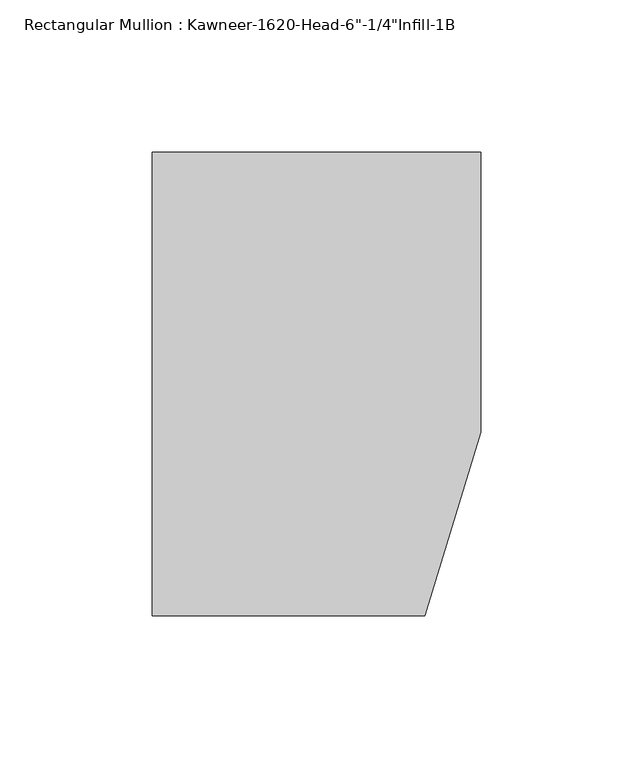
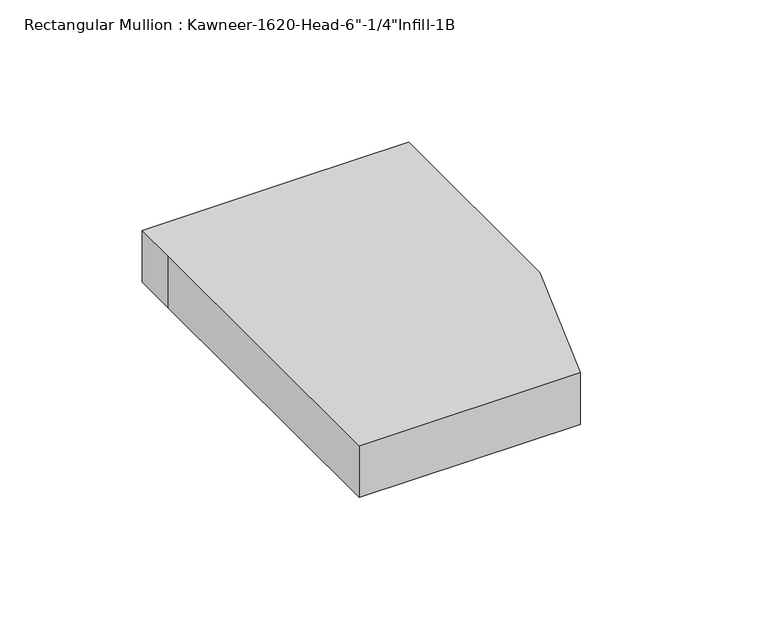
"""IFC4 building model written with IfcOpenShell, lengths in millimetres: member geometry."""

from ifc_helpers import new_model, si_unit, frame, origin, place, context, project, spatial, polyline, outline, extrude, source, transform, mapped, element, save


def member_8d436555(model_context):
    return source(origin(), model_context, "Body", "SweptSolid", [
        extrude(outline(polyline([(-107.95, 10.3845466), (-107.95, 28.575), (-44.1519366, 28.575), (0.0, 28.575), (0.0, -63.5), (-18.3538271, -123.825), (-107.95, -123.825), (-107.95, 10.3845466)])), frame((0.0, 0.0, -22.225), z_axis=(0.0, 0.0, 1.0), x_axis=(1.0, 0.0, 0.0)), (0.0, 0.0, 1.0), 22.225),
    ])


if __name__ == "__main__":
    model = new_model("IFC4")
    model_context = context("Model", 3, world=origin())
    ifc_project = project(units=[si_unit("LENGTHUNIT", "METRE", prefix="MILLI")], contexts=[model_context])
    site = spatial("IfcSite", under=ifc_project)
    building = spatial("IfcBuilding", under=site)
    placement = place(None, origin())
    member_shape = member_8d436555(model_context)
    element("IfcMember", 1, ObjectType="Rectangular Mullion : Kawneer-1620-Head-6\"-1/4\"Infill-1B", at=placement, inside=building, context=model_context, shape_type="MappedRepresentation", body=[
        mapped(member_shape, transform((0.0, 0.0, 0.0), x_axis=(1.0, 0.0, 0.0), y_axis=(0.0, 1.0, 0.0), z_axis=(0.0, 0.0, 1.0))),
    ])
    save(model, "model.ifc")
